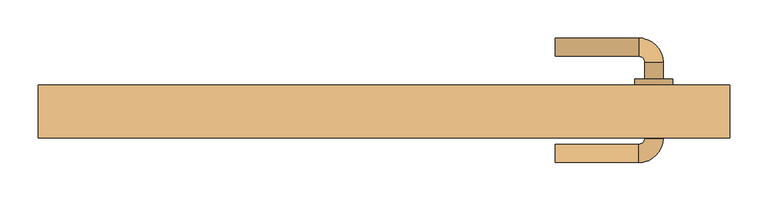
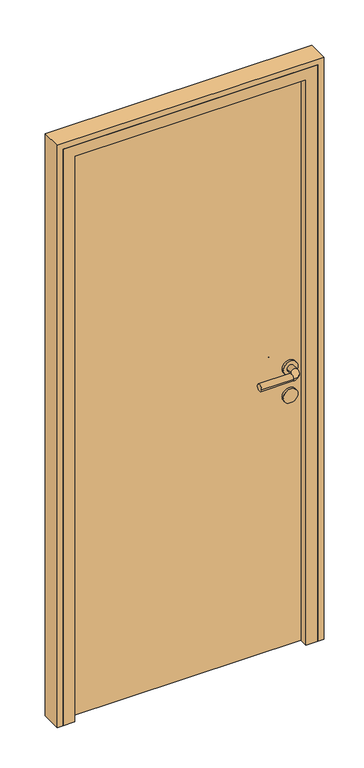
"""IFC4 building model written with IfcOpenShell, lengths in millimetres: door geometry."""

import ifcopenshell
import ifcopenshell.guid

model = None  # the IFC model being written
_history = None  # IfcOwnerHistory: only IFC2X3 demands one
_inside = {}  # id of a spatial element -> (the spatial element, [elements in it])
_under = {}  # id of a project, library or spatial element -> (it, [spatial elements below it])
_declared = {}  # id of a project -> (the project, [libraries it declares])
_typed = {}  # id of a type object -> (the type object, [elements of that type])
_made_of = {}  # id of a material, layer set ... -> (it, [elements and type objects made of it])


def new_model(schema):
    """Start an empty IFC model of exactly this schema.

    Asked for "IFC4X3", IfcOpenShell would pick the latest addendum, in which some entities
    have other attributes; the version numbers below select the first issue.
    IFC2X3 requires an IfcOwnerHistory on every rooted entity: one is made here for all.
    """
    global model, _history
    if schema == "IFC4X3":
        model = ifcopenshell.file(schema_version=(4, 3, 0, 0))
    else:
        model = ifcopenshell.file(schema=schema)
    _inside.clear()
    _under.clear()
    _declared.clear()
    _typed.clear()
    _made_of.clear()
    _history = None
    if model.schema == "IFC2X3":
        org = make("IfcOrganization", Name="unknown")
        user = make(
            "IfcPersonAndOrganization",
            ThePerson=make("IfcPerson", FamilyName="unknown"),
            TheOrganization=org,
        )
        app = make(
            "IfcApplication",
            ApplicationDeveloper=org,
            Version="unknown",
            ApplicationFullName="unknown",
            ApplicationIdentifier="unknown",
        )
        _history = make(
            "IfcOwnerHistory",
            OwningUser=user,
            OwningApplication=app,
            ChangeAction="ADDED",
            CreationDate=0,
        )
    return model


def make(cls, **values):
    """One entity of the class cls with the attributes given. An attribute that is None is left unset."""
    return model.create_entity(
        cls, **{name: value for name, value in values.items() if value is not None}
    )


def rooted(cls, **values):
    """An entity with a GlobalId (a new one), such as an element, a storey or a relation."""
    return make(cls, GlobalId=ifcopenshell.guid.new(), OwnerHistory=_history, **values)


def si_unit(unit_type, name, prefix=None):
    """IfcSIUnit, for example si_unit("LENGTHUNIT", "METRE", prefix="MILLI")."""
    return make("IfcSIUnit", UnitType=unit_type, Prefix=prefix, Name=name)


def assignment(units):
    """IfcUnitAssignment: the units of a project."""
    return None if units is None else make("IfcUnitAssignment", Units=units)


def point(xyz):
    """IfcCartesianPoint."""
    return None if xyz is None else make("IfcCartesianPoint", Coordinates=xyz)


def direction(xyz):
    """IfcDirection."""
    return None if xyz is None else make("IfcDirection", DirectionRatios=xyz)


def frame(location, z_axis=None, x_axis=None):
    """IfcAxis2Placement3D, a coordinate frame: its origin and axes. An axis left out is left unset."""
    return make(
        "IfcAxis2Placement3D",
        Location=point(location),
        Axis=direction(z_axis),
        RefDirection=direction(x_axis),
    )


def frame_2d(location, x_axis=None):
    """IfcAxis2Placement2D, a coordinate frame in the plane: its origin and x axis."""
    return make(
        "IfcAxis2Placement2D", Location=point(location), RefDirection=direction(x_axis)
    )


def origin():
    """The frame at (0, 0, 0) with its axes left unset."""
    return frame((0.0, 0.0, 0.0))


def origin_with_axes():
    """The frame at (0, 0, 0) with the z axis (0, 0, 1) and the x axis (1, 0, 0) written out."""
    return frame((0.0, 0.0, 0.0), z_axis=(0.0, 0.0, 1.0), x_axis=(1.0, 0.0, 0.0))


def place(relative_to, where):
    """IfcLocalPlacement: puts the frame where relative to a parent placement (None: the world)."""
    return make(
        "IfcLocalPlacement", PlacementRelTo=relative_to, RelativePlacement=where
    )


def context(
    kind, dimensions, precision=None, world=None, true_north=None, identifier=None
):
    """IfcGeometricRepresentationContext, for example the 3D "Model" context."""
    return make(
        "IfcGeometricRepresentationContext",
        ContextIdentifier=identifier,
        ContextType=kind,
        CoordinateSpaceDimension=dimensions,
        Precision=precision,
        WorldCoordinateSystem=world,
        TrueNorth=true_north,
    )


def project(units=None, contexts=None):
    """IfcProject with its units and contexts."""
    return rooted(
        "IfcProject",
        Name="project",
        RepresentationContexts=contexts,
        UnitsInContext=assignment(units),
    )


def spatial(cls, under=None, at=None, **own):
    """A site, building, storey or space (cls), placed at a placement, below another one or the project."""
    s = rooted(cls, ObjectPlacement=at, **own)
    if under is not None:
        _under.setdefault(under.id(), (under, []))[1].append(s)
    return s


def polyline(points):
    """IfcPolyline through the points."""
    return make("IfcPolyline", Points=[point(p) for p in points])


def circle_curve(where, radius):
    """IfcCircle in the frame where."""
    return make("IfcCircle", Position=where, Radius=radius)


def ellipse_curve(where, semi_axis1, semi_axis2):
    """IfcEllipse in the frame where."""
    return make(
        "IfcEllipse", Position=where, SemiAxis1=semi_axis1, SemiAxis2=semi_axis2
    )


def trimmed(basis, trim1, trim2, sense, master):
    """IfcTrimmedCurve: the piece of a basis curve between two trims."""
    return make(
        "IfcTrimmedCurve",
        BasisCurve=basis,
        Trim1=trim1,
        Trim2=trim2,
        SenseAgreement=sense,
        MasterRepresentation=master,
    )


def segment(curve, same_sense, transition):
    """IfcCompositeCurveSegment."""
    return make(
        "IfcCompositeCurveSegment",
        Transition=transition,
        SameSense=same_sense,
        ParentCurve=curve,
    )


def composite_curve(segments, self_intersect=None):
    """IfcCompositeCurve: segments joined end to end."""
    return make("IfcCompositeCurve", Segments=segments, SelfIntersect=self_intersect)


def outline(outer, holes=None, kind="AREA"):
    """IfcArbitraryClosedProfileDef: a profile drawn as a closed curve; with holes, ...WithVoids."""
    if holes is None:
        return make("IfcArbitraryClosedProfileDef", ProfileType=kind, OuterCurve=outer)
    return make(
        "IfcArbitraryProfileDefWithVoids",
        ProfileType=kind,
        OuterCurve=outer,
        InnerCurves=holes,
    )


def extrude(swept, where, along, depth):
    """IfcExtrudedAreaSolid: the profile swept, set in the frame where, extruded along a direction by depth."""
    return make(
        "IfcExtrudedAreaSolid",
        SweptArea=swept,
        Position=where,
        ExtrudedDirection=direction(along),
        Depth=depth,
    )


def faces_of(points, faces, orient=None, outer=None):
    """IfcFace entities. A face is a list of loops; a loop is a list of indices into points, from 0.

    orient and outer hold one flag for each loop. By default every Orientation is true, the
    first loop of a face is its IfcFaceOuterBound and the others are IfcFaceBound.
    """
    made = []
    for i, loops in enumerate(faces):
        bounds = []
        for j, loop in enumerate(loops):
            is_outer = j == 0 if outer is None else outer[i][j]
            bounds.append(
                make(
                    "IfcFaceOuterBound" if is_outer else "IfcFaceBound",
                    Bound=make("IfcPolyLoop", Polygon=[points[k] for k in loop]),
                    Orientation=True if orient is None else orient[i][j],
                )
            )
        made.append(make("IfcFace", Bounds=bounds))
    return made


def faceted_brep(points, faces, orient=None, outer=None, voids=None):
    """IfcFacetedBrep: a solid bounded by flat faces; with voids (closed shells), ...WithVoids."""
    shared = [point(p) for p in points]
    hull = make("IfcClosedShell", CfsFaces=faces_of(shared, faces, orient, outer))
    if voids is None:
        return make("IfcFacetedBrep", Outer=hull)
    return make(
        "IfcFacetedBrepWithVoids",
        Outer=hull,
        Voids=[
            make(cls, CfsFaces=faces_of(shared, fs, o, b)) for cls, fs, o, b in voids
        ],
    )


def shape(context_of_items, identifier, shape_type, items):
    """IfcShapeRepresentation: the items that make up one representation, for example the "Body"."""
    return make(
        "IfcShapeRepresentation",
        ContextOfItems=context_of_items,
        RepresentationIdentifier=identifier,
        RepresentationType=shape_type,
        Items=items,
    )


def source(mapping_origin, context_of_items, identifier, shape_type, items):
    """IfcRepresentationMap: a shape defined once, which mapped items show again and again."""
    return make(
        "IfcRepresentationMap",
        MappingOrigin=mapping_origin,
        MappedRepresentation=shape(context_of_items, identifier, shape_type, items),
    )


def transform(
    local_origin,
    x_axis=None,
    y_axis=None,
    z_axis=None,
    scale=None,
    scale2=None,
    scale3=None,
    uniform=True,
):
    """IfcCartesianTransformationOperator3D, or its non-uniform kind. x_axis, y_axis, z_axis: its Axis1, 2, 3."""
    if uniform:
        return make(
            "IfcCartesianTransformationOperator3D",
            Axis1=direction(x_axis),
            Axis2=direction(y_axis),
            LocalOrigin=point(local_origin),
            Scale=scale,
            Axis3=direction(z_axis),
        )
    return make(
        "IfcCartesianTransformationOperator3DnonUniform",
        Axis1=direction(x_axis),
        Axis2=direction(y_axis),
        LocalOrigin=point(local_origin),
        Scale=scale,
        Axis3=direction(z_axis),
        Scale2=scale2,
        Scale3=scale3,
    )


def mapped(mapping_source, mapping_target):
    """IfcMappedItem: shows the shape of a source again, moved by a transform."""
    return make(
        "IfcMappedItem", MappingSource=mapping_source, MappingTarget=mapping_target
    )


def made_of(thing, what):
    """Note that an element or type object is made of a material, layer set ...; save() writes the relation."""
    if what is not None:
        _made_of.setdefault(what.id(), (what, []))[1].append(thing)
    return thing


def element(
    cls,
    number,
    at=None,
    inside=None,
    cuts=None,
    type_object=None,
    material=None,
    context=None,
    identifier="Body",
    shape_type=None,
    held_by="IfcProductDefinitionShape",
    body=None,
    shapes=None,
    **own,
):
    """One element of the class cls, such as IfcWall. Its Tag is "e" and its number.

    at: its placement. inside: the storey or other place that contains it. cuts: it is an
    opening in that element (IfcRelVoidsElement). A single representation is given by context,
    identifier, shape_type and body (its items); several are given by shapes. held_by: the class
    of the entity that holds the representations. save() writes the other relations.
    """
    e = rooted(cls, Tag="e%d" % number, ObjectPlacement=at, **own)
    if body is not None:
        shapes = [shape(context, identifier, shape_type, body)]
    if shapes is not None:
        e.Representation = make(held_by, Representations=shapes)
    if inside is not None:
        _inside.setdefault(inside.id(), (inside, []))[1].append(e)
    if cuts is not None:
        rooted(
            "IfcRelVoidsElement", RelatingBuildingElement=cuts, RelatedOpeningElement=e
        )
    if type_object is not None:
        _typed.setdefault(type_object.id(), (type_object, []))[1].append(e)
    return made_of(e, material)


def aggregate(whole, parts):
    """IfcRelAggregates: a whole, such as a stair, and the parts it consists of."""
    return rooted("IfcRelAggregates", RelatingObject=whole, RelatedObjects=parts)


def save(model, path):
    """Write the relations noted so far, then the file.

    IfcRelAggregates (storeys below a building ...), IfcRelContainedInSpatialStructure (elements
    in a storey), IfcRelDefinesByType, IfcRelAssociatesMaterial and IfcRelDeclares: one each for
    every whole, place, type object, material and project.
    """
    for whole, parts in _under.values():
        aggregate(whole, parts)
    for where, things in _inside.values():
        rooted(
            "IfcRelContainedInSpatialStructure",
            RelatedElements=things,
            RelatingStructure=where,
        )
    for kind, things in _typed.values():
        rooted("IfcRelDefinesByType", RelatedObjects=things, RelatingType=kind)
    for what, things in _made_of.values():
        rooted("IfcRelAssociatesMaterial", RelatedObjects=things, RelatingMaterial=what)
    for by, libraries in _declared.values():
        rooted("IfcRelDeclares", RelatingContext=by, RelatedDefinitions=libraries)
    model.write(path)


def plane_surface(at):
    """IfcPlane: the flat surface through the origin of the frame at, square to its z axis."""
    return make("IfcPlane", Position=at)


def cylinder_surface(at, radius):
    """IfcCylindricalSurface: all points at the distance radius from the z axis of the frame at."""
    return make("IfcCylindricalSurface", Position=at, Radius=radius)


def revolved_surface(curve, axis_point, axis_direction):
    """IfcSurfaceOfRevolution: the curve turned about the line through axis_point along axis_direction."""
    return make(
        "IfcSurfaceOfRevolution",
        SweptCurve=make("IfcArbitraryOpenProfileDef", ProfileType="CURVE", Curve=curve),
        AxisPosition=make("IfcAxis1Placement", Location=point(axis_point), Axis=direction(axis_direction)),
    )


def advanced_brep(points, edges, surfaces, faces):
    """IfcAdvancedBrep: a solid bounded by faces that lie on surfaces and meet in shared edges.

    An edge is (start, end): straight between two places in points (the first is 0);
    or (start, end, curve); or (start, end, curve, False) where it runs against its curve.
    A face is (place in surfaces, loops), or (place, loops, False) where it looks against
    its surface's normal. A loop lists edges by number (the first is 1), with a minus sign
    where the edge is run from its end to its start. The first loop is the outer one.
    """
    corners = [point(p) for p in points]
    vertices = [make("IfcVertexPoint", VertexGeometry=c) for c in corners]
    made = []
    for start, end, *more in edges:
        made.append(
            make(
                "IfcEdgeCurve",
                EdgeStart=vertices[start],
                EdgeEnd=vertices[end],
                EdgeGeometry=more[0] if more else make("IfcPolyline", Points=[corners[start], corners[end]]),
                SameSense=more[1] if len(more) > 1 else True,
            )
        )
    hull = []
    for where, loops, *sense in faces:
        bounds = []
        for j, loop in enumerate(loops):
            ring = [make("IfcOrientedEdge", EdgeElement=made[abs(k) - 1], Orientation=k > 0) for k in loop]
            bounds.append(
                make(
                    "IfcFaceOuterBound" if j == 0 else "IfcFaceBound",
                    Bound=make("IfcEdgeLoop", EdgeList=ring),
                    Orientation=True,
                )
            )
        hull.append(make("IfcAdvancedFace", Bounds=bounds, FaceSurface=surfaces[where], SameSense=sense[0] if sense else True))
    return make("IfcAdvancedBrep", Outer=make("IfcClosedShell", CfsFaces=hull))


def door_f9d78a50(model_context):
    return source(origin(), model_context, "Body", "SolidModel", [
        advanced_brep(
        [(225.0, 162.0, 1000.0), (225.0, 138.0, 1000.0), (335.0, 138.0, 1000.0), (335.0, 162.0, 1000.0), (343.0, 130.0, 1000.0), (367.0, 130.0, 1000.0), (367.0, 30.0, 1000.0), (367.0, 52.0, 1000.0), (343.0, 52.0, 1000.0), (343.0, 30.0, 1000.0), (343.0, 108.0, 1000.0), (367.0, 108.0, 1000.0), (335.0, 22.0, 1000.0), (335.0, -2.0, 1000.0), (225.0, -2.0, 1000.0), (225.0, 22.0, 1000.0), (330.0, 52.0, 1000.0), (380.0, 52.0, 1000.0), (330.0, 108.0, 1000.0), (380.0, 108.0, 1000.0)],
        [
            (0, 1, circle_curve(frame((225.0, 150.0, 1000.0), z_axis=(-1.0, 0.0, 0.0), x_axis=(0.0, -1.0, 0.0)), 12.0)),
            (1, 0, circle_curve(frame((225.0, 150.0, 1000.0), z_axis=(-1.0, 0.0, 0.0), x_axis=(0.0, -1.0, 0.0)), 12.0)),
            (1, 2),
            (2, 3, circle_curve(frame((335.0, 150.0, 1000.0), z_axis=(-1.0, 0.0, 0.0), x_axis=(0.0, -1.0, 0.0)), 12.0)),
            (3, 0),
            (3, 2, circle_curve(frame((335.0, 150.0, 1000.0), z_axis=(-1.0, 0.0, 0.0), x_axis=(0.0, -1.0, 0.0)), 12.0)),
            (2, 4, circle_curve(frame((335.0, 130.0, 1000.0), z_axis=(0.0, 0.0, -1.0), x_axis=(0.0, 1.0, 0.0)), 8.0)),
            (4, 5, circle_curve(frame((355.0, 130.0, 1000.0), z_axis=(0.0, 1.0, 0.0), x_axis=(-1.0, 0.0, 0.0)), 12.0)),
            (5, 3, circle_curve(frame((335.0, 130.0, 1000.0), z_axis=(0.0, 0.0, 1.0), x_axis=(0.0, 1.0, 0.0)), 32.0)),
            (5, 4, circle_curve(frame((355.0, 130.0, 1000.0), z_axis=(0.0, 1.0, 0.0), x_axis=(-1.0, 0.0, 0.0)), 12.0)),
            (6, 7),
            (7, 8, circle_curve(frame((355.0, 52.0, 1000.0), z_axis=(0.0, -1.0, 0.0), x_axis=(-1.0, 0.0, 0.0)), 12.0)),
            (8, 9),
            (9, 6, circle_curve(frame((355.0, 30.0, 1000.0), z_axis=(0.0, 1.0, 0.0), x_axis=(-1.0, 0.0, 0.0)), 12.0)),
            (4, 10),
            (10, 11, circle_curve(frame((355.0, 108.0, 1000.0), z_axis=(0.0, 1.0, 0.0), x_axis=(-1.0, 0.0, 0.0)), 12.0)),
            (11, 5),
            (11, 10, circle_curve(frame((355.0, 108.0, 1000.0), z_axis=(0.0, 1.0, 0.0), x_axis=(-1.0, 0.0, 0.0)), 12.0)),
            (8, 7, circle_curve(frame((355.0, 52.0, 1000.0), z_axis=(0.0, -1.0, 0.0), x_axis=(-1.0, 0.0, 0.0)), 12.0)),
            (6, 9, circle_curve(frame((355.0, 30.0, 1000.0), z_axis=(0.0, 1.0, 0.0), x_axis=(-1.0, 0.0, 0.0)), 12.0)),
            (9, 12, circle_curve(frame((335.0, 30.0, 1000.0), z_axis=(0.0, 0.0, -1.0), x_axis=(1.0, 0.0, 0.0)), 8.0)),
            (12, 13, circle_curve(frame((335.0, 10.0, 1000.0), z_axis=(1.0, 0.0, 0.0), x_axis=(0.0, 1.0, 0.0)), 12.0)),
            (13, 6, circle_curve(frame((335.0, 30.0, 1000.0), z_axis=(0.0, 0.0, 1.0), x_axis=(1.0, 0.0, 0.0)), 32.0)),
            (13, 12, circle_curve(frame((335.0, 10.0, 1000.0), z_axis=(1.0, 0.0, 0.0), x_axis=(0.0, 1.0, 0.0)), 12.0)),
            (14, 15, circle_curve(frame((225.0, 10.0, 1000.0), z_axis=(-1.0, 0.0, 0.0), x_axis=(0.0, 1.0, 0.0)), 12.0)),
            (15, 14, circle_curve(frame((225.0, 10.0, 1000.0), z_axis=(-1.0, 0.0, 0.0), x_axis=(0.0, 1.0, 0.0)), 12.0)),
            (12, 15),
            (14, 13),
            (16, 17, circle_curve(frame((355.0, 52.0, 1000.0), z_axis=(0.0, -1.0, 0.0), x_axis=(1.0, 0.0, 0.0)), 25.0)),
            (17, 16, circle_curve(frame((355.0, 52.0, 1000.0), z_axis=(0.0, -1.0, 0.0), x_axis=(1.0, 0.0, 0.0)), 25.0)),
            (18, 19, circle_curve(frame((355.0, 108.0, 1000.0), z_axis=(0.0, 1.0, 0.0), x_axis=(1.0, 0.0, 0.0)), 25.0)),
            (19, 18, circle_curve(frame((355.0, 108.0, 1000.0), z_axis=(0.0, 1.0, 0.0), x_axis=(1.0, 0.0, 0.0)), 25.0)),
            (17, 19),
            (18, 16),
        ],
        [
            plane_surface(frame((225.0, 150.0, 1000.0), z_axis=(-1.0, 0.0, 0.0), x_axis=(0.0, 0.0, 1.0))),
            cylinder_surface(frame((225.0, 150.0, 1000.0), z_axis=(-1.0, 0.0, 0.0), x_axis=(0.0, -1.0, 0.0)), 12.0),
            revolved_surface(trimmed(ellipse_curve(frame((335.0, 150.0, 1000.0), z_axis=(1.0, 0.0, 0.0), x_axis=(0.0, -1.0, 0.0)), 12.0, 12.0), [point((335.0, 162.0, 1000.0))], [point((335.0, 138.0, 1000.0))], True, "CARTESIAN"), (335.0, 130.0, 1000.0), (0.0, 0.0, 1.0)),
            revolved_surface(trimmed(ellipse_curve(frame((335.0, 150.0, 1000.0), z_axis=(1.0, 0.0, 0.0), x_axis=(0.0, -1.0, 0.0)), 12.0, 12.0), [point((335.0, 138.0, 1000.0))], [point((335.0, 162.0, 1000.0))], True, "CARTESIAN"), (335.0, 130.0, 1000.0), (0.0, 0.0, 1.0)),
            cylinder_surface(frame((355.0, 130.0, 1000.0), z_axis=(0.0, 1.0, 0.0), x_axis=(-1.0, 0.0, 0.0)), 12.0),
            revolved_surface(trimmed(ellipse_curve(frame((355.0, 30.0, 1000.0), z_axis=(0.0, -1.0, 0.0), x_axis=(-1.0, 0.0, 0.0)), 12.0, 12.0), [point((367.0, 30.0, 1000.0))], [point((343.0, 30.0, 1000.0))], True, "CARTESIAN"), (335.0, 30.0, 1000.0), (0.0, 0.0, 1.0)),
            revolved_surface(trimmed(ellipse_curve(frame((355.0, 30.0, 1000.0), z_axis=(0.0, -1.0, 0.0), x_axis=(-1.0, 0.0, 0.0)), 12.0, 12.0), [point((343.0, 30.0, 1000.0))], [point((367.0, 30.0, 1000.0))], True, "CARTESIAN"), (335.0, 30.0, 1000.0), (0.0, 0.0, 1.0)),
            plane_surface(frame((225.0, 10.0, 1000.0), z_axis=(-1.0, 0.0, 0.0), x_axis=(0.0, 0.0, 1.0))),
            cylinder_surface(frame((335.0, 10.0, 1000.0), z_axis=(1.0, 0.0, 0.0), x_axis=(0.0, 1.0, 0.0)), 12.0),
            plane_surface(frame((380.0, 52.0, 1000.0), z_axis=(0.0, -1.0, 0.0), x_axis=(0.0, 0.0, -1.0))),
            plane_surface(frame((380.0, 108.0, 1000.0), z_axis=(0.0, 1.0, 0.0), x_axis=(0.0, 0.0, 1.0))),
            cylinder_surface(frame((355.0, 52.0, 1000.0), z_axis=(0.0, 1.0, 0.0), x_axis=(1.0, 0.0, 0.0)), 25.0),
        ],
        [
            (0, [[1, 2]]),
            (1, [[3, 4, 5, -2]]),
            (1, [[-5, 6, -3, -1]]),
            (2, [[7, 8, 9, -4]]),
            (3, [[-9, 10, -7, -6]]),
            (4, [[11, 12, 13, 14]]),
            (4, [[15, 16, 17, -8]]),
            (4, [[-17, 18, -15, -10]]),
            (4, [[-13, 19, -11, 20]]),
            (5, [[21, 22, 23, -14]]),
            (6, [[-23, 24, -21, -20]]),
            (7, [[25, 26]]),
            (8, [[27, -25, 28, -22]]),
            (8, [[-28, -26, -27, -24]]),
            (9, [[29, 30], [-19, -12]]),
            (10, [[31, 32], [-18, -16]]),
            (11, [[33, -31, 34, -30]]),
            (11, [[-34, -32, -33, -29]]),
        ],
    ),
        extrude(outline(composite_curve([segment(trimmed(circle_curve(frame_2d((900.0, 355.0)), 25.0), [point((900.0, 330.0))], [point((900.0, 380.0))], False, "CARTESIAN"), True, "CONTINUOUS"), segment(trimmed(circle_curve(frame_2d((900.0, 355.0)), 25.0), [point((900.0, 380.0))], [point((900.0, 330.0))], False, "CARTESIAN"), True, "CONTINUOUS")], self_intersect=False)), frame((0.0, 52.0, 0.0), z_axis=(0.0, 1.0, 0.0), x_axis=(0.0, 0.0, 1.0)), (0.0, 0.0, 1.0), 56.0),
        extrude(outline(polyline([(405.0, 60.0), (-405.0, 60.0), (-405.0, 100.0), (405.0, 100.0), (405.0, 60.0)])), origin_with_axes(), (0.0, 0.0, 1.0), 2050.0),
        extrude(outline(polyline([(0.0, 455.0), (2100.0, 455.0), (2100.0, -455.0), (0.0, -455.0), (0.0, -435.0), (2080.0, -435.0), (2080.0, 435.0), (0.0, 435.0), (0.0, 455.0)])), frame((0.0, 30.0, 0.0), z_axis=(0.0, 1.0, 0.0), x_axis=(0.0, 0.0, 1.0)), (0.0, 0.0, 1.0), 70.0),
        faceted_brep([(-435.0, 30.0, 0.0), (-435.0, 100.0, 0.0), (-405.0, 100.0, 0.0), (-405.0, 60.0, 0.0), (-395.0, 60.0, 0.0), (-395.0, 30.0, 0.0), (-435.0, 30.0, 2080.0), (-435.0, 100.0, 2080.0), (435.0, 100.0, 2080.0), (435.0, 100.0, 0.0), (405.0, 100.0, 0.0), (405.0, 100.0, 2050.0), (-405.0, 100.0, 2050.0), (-405.0, 60.0, 2050.0), (405.0, 60.0, 2050.0), (405.0, 60.0, 0.0), (395.0, 60.0, 0.0), (395.0, 60.0, 2040.0), (-395.0, 60.0, 2040.0), (-395.0, 30.0, 2040.0), (395.0, 30.0, 2040.0), (395.0, 30.0, 0.0), (435.0, 30.0, 0.0), (435.0, 30.0, 2080.0)], [[[0, 1, 2, 3, 4, 5]], [[1, 0, 6, 7]], [[2, 1, 7, 8, 9, 10, 11, 12]], [[3, 2, 12, 13]], [[4, 3, 13, 14, 15, 16, 17, 18]], [[5, 4, 18, 19]], [[0, 5, 19, 20, 21, 22, 23, 6]], [[7, 6, 23, 8]], [[13, 12, 11, 14]], [[19, 18, 17, 20]], [[22, 21, 16, 15, 10, 9]], [[8, 23, 22, 9]], [[14, 11, 10, 15]], [[20, 17, 16, 21]]]),
    ])


if __name__ == "__main__":
    model = new_model("IFC4")
    model_context = context("Model", 3, world=origin())
    ifc_project = project(units=[si_unit("LENGTHUNIT", "METRE", prefix="MILLI")], contexts=[model_context])
    site = spatial("IfcSite", under=ifc_project)
    building = spatial("IfcBuilding", under=site)
    placement = place(None, origin())
    door_shape = door_f9d78a50(model_context)
    element("IfcDoor", 1, at=placement, inside=building, context=model_context, shape_type="MappedRepresentation", body=[
        mapped(door_shape, transform((0.0, 0.0, 0.0), x_axis=(1.0, 0.0, 0.0), y_axis=(0.0, 1.0, 0.0), z_axis=(0.0, 0.0, 1.0))),
    ])
    save(model, "model.ifc")
